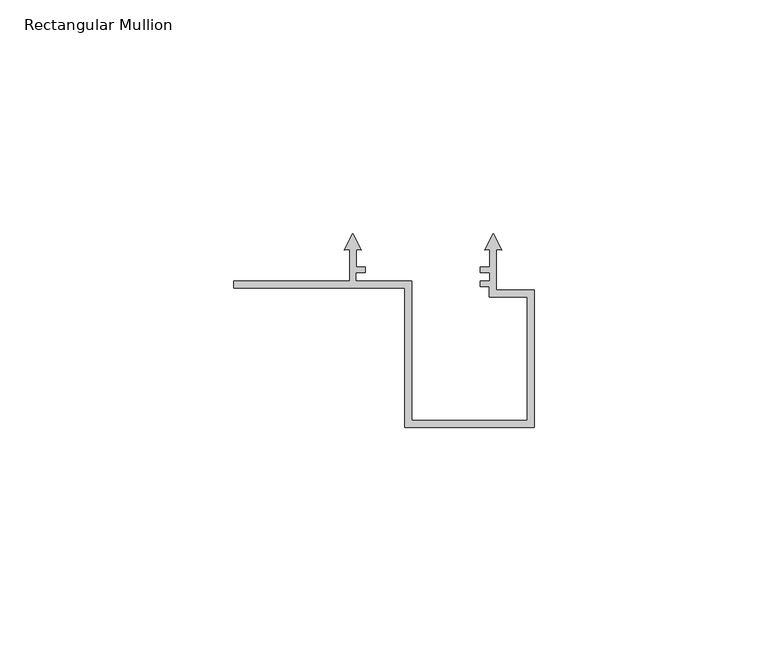
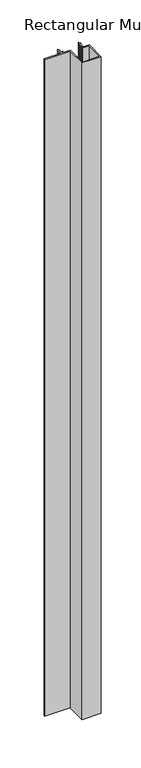
"""IFC4 building model written with IfcOpenShell, lengths in millimetres: member geometry, Rectangular Mullion."""

from ifc_helpers import new_model, si_unit, frame, origin, place, context, project, spatial, polyline, outline, extrude, source, transform, mapped, element, save


def rectangular_mullion_486c4029(model_context):
    return source(origin(), model_context, "Body", "SweptSolid", [
        extrude(outline(polyline([(-27.7, -66.1), (-27.7, -36.2004291), (-64.3500002, -36.2004291), (-64.3500002, -34.7056679), (-39.5500002, -34.7056679), (-39.5500002, -28.0038207), (-40.6657356, -28.1014348), (-38.8499989, -24.5378474), (-37.0342622, -28.1014348), (-38.15, -28.0038204), (-38.15, -31.6999997), (-36.1577359, -31.6999997), (-36.1577359, -32.9008281), (-38.249999, -32.9008281), (-38.249999, -34.6999997), (-26.2, -34.6999997), (-26.2, -64.5999997), (-1.5, -64.5999997), (-1.5, -38.0997951), (-9.6502876, -38.0997951), (-9.6502876, -35.9015214), (-11.5288975, -35.9015214), (-11.5288975, -34.6999954), (-9.5500002, -34.6999954), (-9.5500002, -32.9004386), (-11.5283827, -32.9004386), (-11.5283827, -31.698351), (-9.5408196, -31.698351), (-9.5408196, -28.0038206), (-10.656556, -28.1014348), (-8.8408194, -24.5378474), (-7.0250829, -28.1014348), (-8.1408193, -28.0038205), (-8.1408193, -36.5995654), (0.0, -36.5995654), (0.0, -66.1), (-27.7, -66.1)])), frame((0.0, 0.0, -1000.0), z_axis=(0.0, 0.0, 1.0), x_axis=(1.0, 0.0, 0.0)), (0.0, 0.0, 1.0), 1000.0),
    ])


if __name__ == "__main__":
    model = new_model("IFC4")
    model_context = context("Model", 3, world=origin())
    ifc_project = project(units=[si_unit("LENGTHUNIT", "METRE", prefix="MILLI")], contexts=[model_context])
    site = spatial("IfcSite", under=ifc_project)
    building = spatial("IfcBuilding", under=site)
    placement = place(None, origin())
    rectangular_mullion_shape = rectangular_mullion_486c4029(model_context)
    element("IfcMember", 1, ObjectType="Rectangular Mullion", at=placement, inside=building, context=model_context, shape_type="MappedRepresentation", body=[
        mapped(rectangular_mullion_shape, transform((0.0, 0.0, 0.0), x_axis=(1.0, 0.0, 0.0), y_axis=(0.0, 1.0, 0.0), z_axis=(0.0, 0.0, 1.0))),
    ])
    save(model, "model.ifc")
